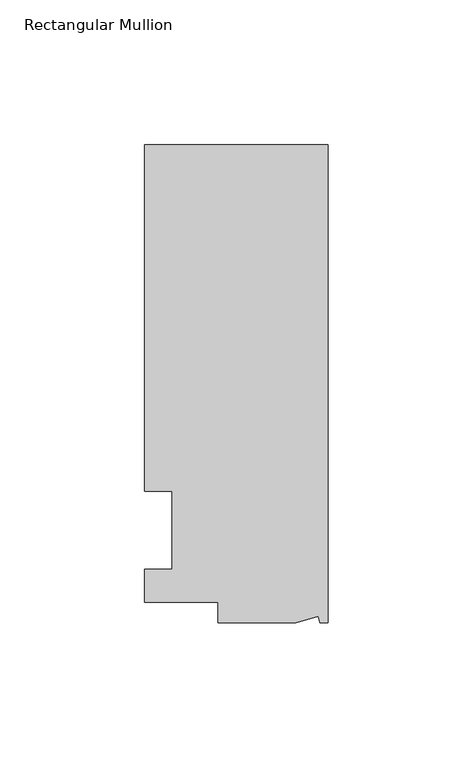
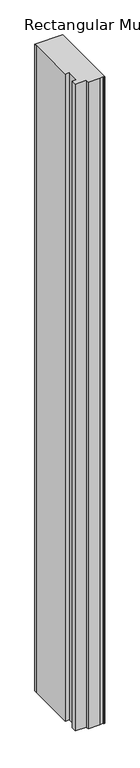
"""IFC4 building model written with IfcOpenShell, lengths in millimetres: member geometry, Rectangular Mullion."""

from ifc_helpers import new_model, si_unit, frame, origin, place, context, project, spatial, polyline, outline, extrude, source, transform, mapped, element, save


def rectangular_mullion_e1db2ad7(model_context):
    return source(origin(), model_context, "Body", "SweptSolid", [
        extrude(outline(polyline([(0.0, 131.0674452), (0.0, -34.0325548), (-2.7630634, -34.0325548), (-3.3223696, -31.9451957), (-11.1125, -34.0325548), (-38.1, -34.0325548), (-38.1, -27.0729548), (-63.5, -27.0729548), (-63.5, -15.6924375), (-53.975, -15.6924375), (-53.975, 11.3942812), (-63.5, 11.3942812), (-63.5, 124.7174452), (-63.5, 131.0674452), (0.0, 131.0674452)])), frame((0.0, 0.0, -1555.75), z_axis=(0.0, 0.0, 1.0), x_axis=(1.0, 0.0, 0.0)), (0.0, 0.0, 1.0), 1555.75),
    ])


if __name__ == "__main__":
    model = new_model("IFC4")
    model_context = context("Model", 3, world=origin())
    ifc_project = project(units=[si_unit("LENGTHUNIT", "METRE", prefix="MILLI")], contexts=[model_context])
    site = spatial("IfcSite", under=ifc_project)
    building = spatial("IfcBuilding", under=site)
    placement = place(None, origin())
    rectangular_mullion_shape = rectangular_mullion_e1db2ad7(model_context)
    element("IfcMember", 1, ObjectType="Rectangular Mullion", at=placement, inside=building, context=model_context, shape_type="MappedRepresentation", body=[
        mapped(rectangular_mullion_shape, transform((0.0, 0.0, 0.0), x_axis=(1.0, 0.0, 0.0), y_axis=(0.0, 1.0, 0.0), z_axis=(0.0, 0.0, 1.0))),
    ])
    save(model, "model.ifc")
